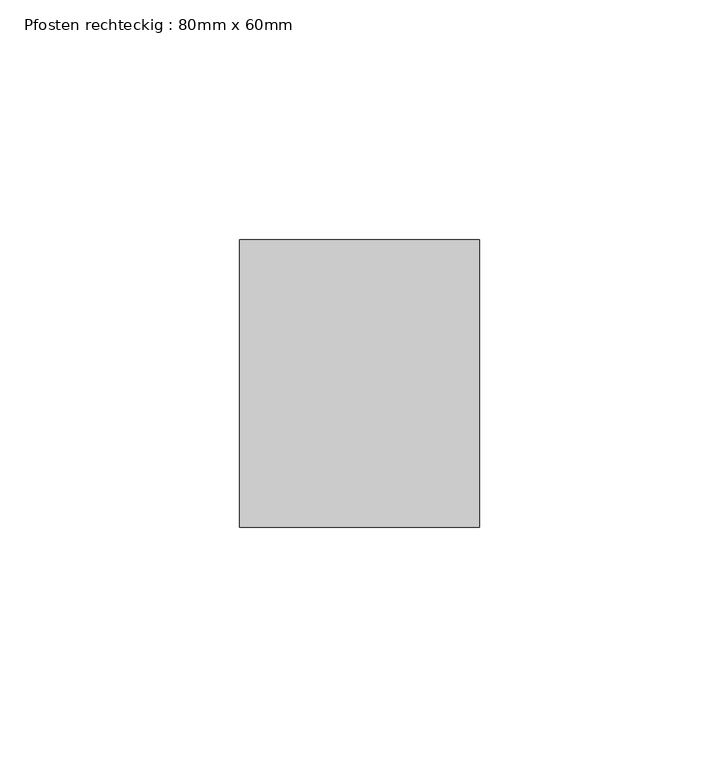
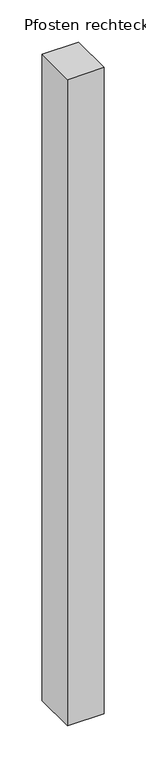
"""IFC4 building model written with IfcOpenShell, lengths in millimetres: member geometry, Pfosten rechteckig : 80mm x 60mm."""

from ifc_helpers import new_model, si_unit, frame, origin, place, context, project, spatial, polyline, outline, extrude, source, transform, mapped, element, save


def pfosten_rechteckig_80mm_x_60mm_211a41d3(model_context):
    return source(origin(), model_context, "Body", "SweptSolid", [
        extrude(outline(polyline([(0.0, 30.0), (0.0, -30.0), (-50.0, -30.0), (-50.0, 30.0), (0.0, 30.0)])), frame((0.0, 0.0, -933.3333333), z_axis=(0.0, 0.0, 1.0), x_axis=(1.0, 0.0, 0.0)), (0.0, 0.0, 1.0), 933.3333333),
    ])


if __name__ == "__main__":
    model = new_model("IFC4")
    model_context = context("Model", 3, world=origin())
    ifc_project = project(units=[si_unit("LENGTHUNIT", "METRE", prefix="MILLI")], contexts=[model_context])
    site = spatial("IfcSite", under=ifc_project)
    building = spatial("IfcBuilding", under=site)
    placement = place(None, origin())
    pfosten_rechteckig_80mm_x_60mm_shape = pfosten_rechteckig_80mm_x_60mm_211a41d3(model_context)
    element("IfcMember", 1, ObjectType="Pfosten rechteckig : 80mm x 60mm", at=placement, inside=building, context=model_context, shape_type="MappedRepresentation", body=[
        mapped(pfosten_rechteckig_80mm_x_60mm_shape, transform((0.0, 0.0, 0.0), x_axis=(1.0, 0.0, 0.0), y_axis=(0.0, 1.0, 0.0), z_axis=(0.0, 0.0, 1.0))),
    ])
    save(model, "model.ifc")
